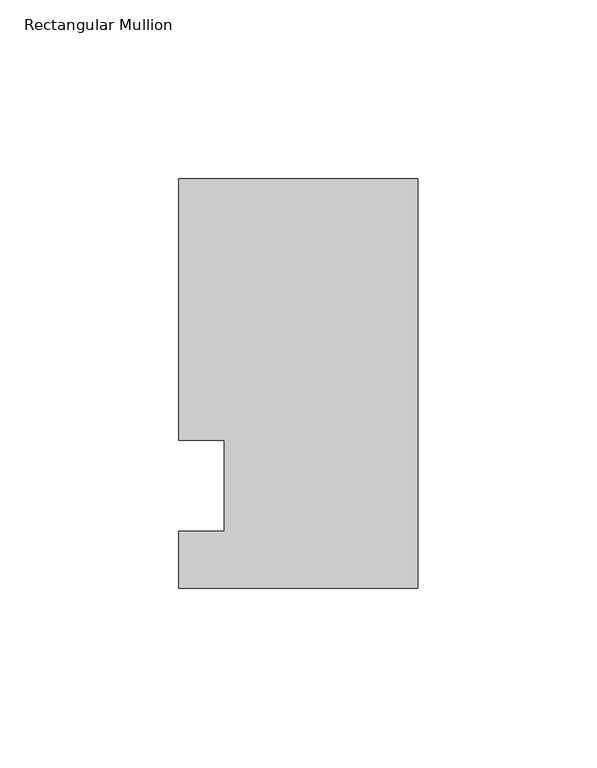
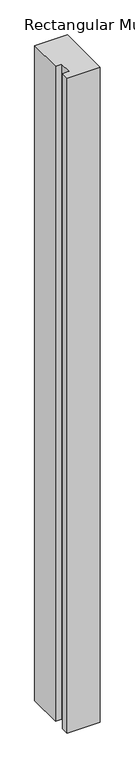
"""IFC4 building model written with IfcOpenShell, lengths in millimetres: member geometry, Rectangular Mullion."""

from ifc_helpers import new_model, si_unit, frame, origin, place, context, project, spatial, polyline, outline, extrude, source, transform, mapped, element, save


def rectangular_mullion_4cf6cf68(model_context):
    return source(origin(), model_context, "Body", "SweptSolid", [
        extrude(outline(polyline([(-66.675, 85.725), (0.0, 85.725), (0.0, -28.575), (-66.675, -28.575), (-66.675, -12.7), (-53.9732296, -12.7), (-53.9732296, 12.7), (-66.675, 12.7), (-66.675, 85.725)])), frame((0.0, 0.0, -1407.482264), z_axis=(0.0, 0.0, 1.0), x_axis=(1.0, 0.0, 0.0)), (0.0, 0.0, 1.0), 1407.482264),
    ])


if __name__ == "__main__":
    model = new_model("IFC4")
    model_context = context("Model", 3, world=origin())
    ifc_project = project(units=[si_unit("LENGTHUNIT", "METRE", prefix="MILLI")], contexts=[model_context])
    site = spatial("IfcSite", under=ifc_project)
    building = spatial("IfcBuilding", under=site)
    placement = place(None, origin())
    rectangular_mullion_shape = rectangular_mullion_4cf6cf68(model_context)
    element("IfcMember", 1, ObjectType="Rectangular Mullion", at=placement, inside=building, context=model_context, shape_type="MappedRepresentation", body=[
        mapped(rectangular_mullion_shape, transform((0.0, 0.0, 0.0), x_axis=(1.0, 0.0, 0.0), y_axis=(0.0, 1.0, 0.0), z_axis=(0.0, 0.0, 1.0))),
    ])
    save(model, "model.ifc")
